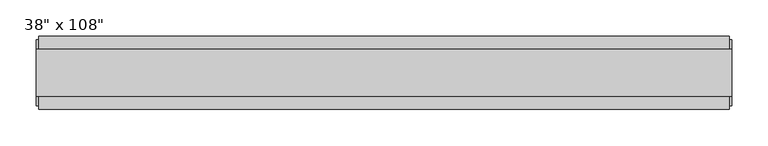
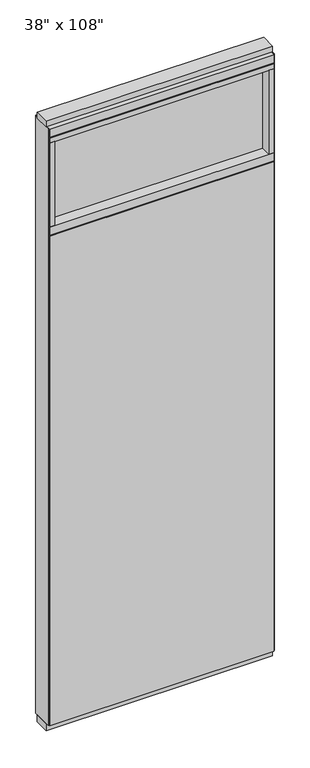
"""IFC4 building model written with IfcOpenShell, lengths in millimetres: furniture geometry."""

from ifc_helpers import new_model, si_unit, frame, origin, origin_with_axes, place, context, project, spatial, polyline, outline, extrude, source, transform, mapped, element, save


def furniture_e82e4a21(model_context):
    return source(origin(), model_context, "Body", "SweptSolid", [
        extrude(outline(polyline([(418.6264771, -46.2822784), (-538.6995229, -46.2822784), (-538.6995229, -33.5822784), (418.6264771, -33.5822784), (418.6264771, -46.2822784)])), frame((0.0, 0.0, 31.75), z_axis=(0.0, 0.0, 1.0), x_axis=(1.0, 0.0, 0.0)), (0.0, 0.0, 1.0), 2203.45),
        extrude(outline(polyline([(418.6264771, 55.3177216), (418.6264771, 42.6177216), (-538.6995229, 42.6177216), (-538.6995229, 55.3177216), (418.6264771, 55.3177216)])), frame((0.0, 0.0, 31.75), z_axis=(0.0, 0.0, 1.0), x_axis=(1.0, 0.0, 0.0)), (0.0, 0.0, 1.0), 2203.45),
        extrude(outline(polyline([(396.4014771, 9.5977216), (396.4014771, -0.5622784), (-516.4745229, -0.5622784), (-516.4745229, 9.5977216), (396.4014771, 9.5977216)])), frame((0.0, 0.0, 2276.475), z_axis=(0.0, 0.0, 1.0), x_axis=(1.0, 0.0, 0.0)), (0.0, 0.0, 1.0), 377.825),
        extrude(outline(polyline([(396.4014771, 55.3177216), (418.6264771, 55.3177216), (418.6264771, -46.2822784), (396.4014771, -46.2822784), (396.4014771, 55.3177216)])), frame((0.0, 0.0, 2276.475), z_axis=(0.0, 0.0, 1.0), x_axis=(1.0, 0.0, 0.0)), (0.0, 0.0, 1.0), 377.825),
        extrude(outline(polyline([(55.3177216, 2240.153), (50.3647216, 2240.153), (50.3647216, 2235.2), (-41.3292784, 2235.2), (-41.3292784, 2240.153), (-46.2822784, 2240.153), (-46.2822784, 2276.475), (55.3177216, 2276.475), (55.3177216, 2240.153)])), frame((-538.6995229, 0.0, 0.0), z_axis=(1.0, 0.0, 0.0), x_axis=(0.0, 1.0, 0.0)), (0.0, 0.0, 1.0), 957.326),
        extrude(outline(polyline([(-516.4745229, 55.3177216), (-516.4745229, -46.2822784), (-538.6995229, -46.2822784), (-538.6995229, 55.3177216), (-516.4745229, 55.3177216)])), frame((0.0, 0.0, 2276.475), z_axis=(0.0, 0.0, 1.0), x_axis=(1.0, 0.0, 0.0)), (0.0, 0.0, 1.0), 377.825),
        extrude(outline(polyline([(422.5634771, -27.9942784), (-542.6365229, -27.9942784), (-542.6365229, 37.0297216), (422.5634771, 37.0297216), (422.5634771, -27.9942784)])), origin_with_axes(), (0.0, 0.0, 1.0), 31.75),
        extrude(outline(polyline([(-542.6365229, 37.0297216), (422.5634771, 37.0297216), (422.5634771, -27.9942784), (-542.6365229, -27.9942784), (-542.6365229, 37.0297216)])), frame((0.0, 0.0, 2717.8), z_axis=(0.0, 0.0, 1.0), x_axis=(1.0, 0.0, 0.0)), (0.0, 0.0, 1.0), 25.4),
        extrude(outline(polyline([(55.3177216, 2681.478), (50.3647216, 2681.478), (50.3647216, 2676.525), (-41.3292784, 2676.525), (-41.3292784, 2681.478), (-46.2822784, 2681.478), (-46.2822784, 2717.8), (55.3177216, 2717.8), (55.3177216, 2681.478)])), frame((-538.6995229, 0.0, 0.0), z_axis=(1.0, 0.0, 0.0), x_axis=(0.0, 1.0, 0.0)), (0.0, 0.0, 1.0), 957.326),
        extrude(outline(polyline([(418.6264771, -46.2822784), (-538.6995229, -46.2822784), (-538.6995229, 55.3177216), (418.6264771, 55.3177216), (418.6264771, -46.2822784)])), frame((0.0, 0.0, 2654.3), z_axis=(0.0, 0.0, 1.0), x_axis=(1.0, 0.0, 0.0)), (0.0, 0.0, 1.0), 22.225),
        extrude(outline(polyline([(422.5634771, 50.3647216), (422.5634771, -41.3292784), (418.6264771, -41.3292784), (418.6264771, 50.3647216), (422.5634771, 50.3647216)])), frame((0.0, 0.0, 31.75), z_axis=(0.0, 0.0, 1.0), x_axis=(1.0, 0.0, 0.0)), (0.0, 0.0, 1.0), 2686.05),
        extrude(outline(polyline([(-542.6365229, 50.3647216), (-538.6995229, 50.3647216), (-538.6995229, -41.3292784), (-542.6365229, -41.3292784), (-542.6365229, 50.3647216)])), frame((0.0, 0.0, 31.75), z_axis=(0.0, 0.0, 1.0), x_axis=(1.0, 0.0, 0.0)), (0.0, 0.0, 1.0), 2686.05),
    ])


if __name__ == "__main__":
    model = new_model("IFC4")
    model_context = context("Model", 3, world=origin())
    ifc_project = project(units=[si_unit("LENGTHUNIT", "METRE", prefix="MILLI")], contexts=[model_context])
    site = spatial("IfcSite", under=ifc_project)
    building = spatial("IfcBuilding", under=site)
    placement = place(None, origin())
    furniture_shape = furniture_e82e4a21(model_context)
    element("IfcFurniture", 1, ObjectType="38\" x 108\"", at=placement, inside=building, context=model_context, shape_type="MappedRepresentation", body=[
        mapped(furniture_shape, transform((0.0, 0.0, 0.0), x_axis=(1.0, 0.0, 0.0), y_axis=(0.0, 1.0, 0.0), z_axis=(0.0, 0.0, 1.0))),
    ])
    save(model, "model.ifc")
